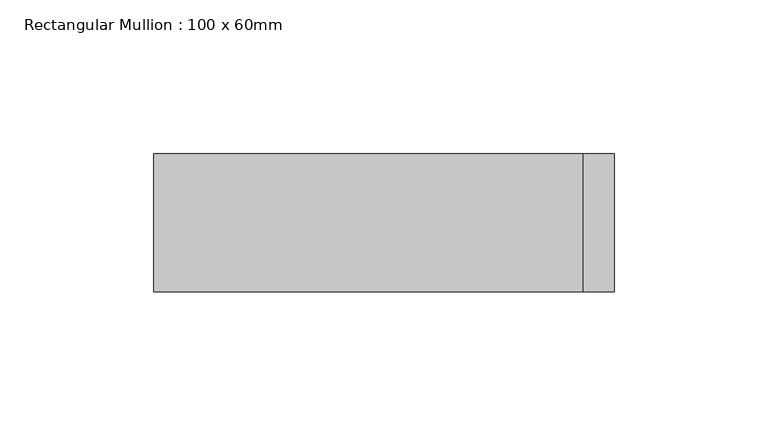
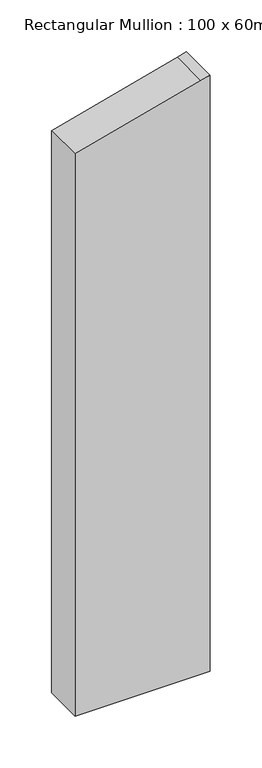
"""IFC4 building model written with IfcOpenShell, lengths in millimetres: member geometry, Rectangular Mullion : 100 x 60mm."""

from ifc_helpers import new_model, si_unit, frame, origin, place, context, project, spatial, polyline, outline, extrude, source, transform, mapped, element, save


def rectangular_mullion_100_x_60mm_64a764ba(model_context):
    return source(origin(), model_context, "Body", "SweptSolid", [
        extrude(outline(polyline([(-238.7228557, 75.0), (-241.4814566, 64.7047613), (-278.9152345, -75.0), (-939.8551429, -75.0), (-939.8551429, 75.0), (-238.7228557, 75.0)])), frame((0.0, -15.0, 0.0), z_axis=(0.0, 1.0, 0.0), x_axis=(0.0, 0.0, 1.0)), (0.0, 0.0, 1.0), 45.0),
    ])


if __name__ == "__main__":
    model = new_model("IFC4")
    model_context = context("Model", 3, world=origin())
    ifc_project = project(units=[si_unit("LENGTHUNIT", "METRE", prefix="MILLI")], contexts=[model_context])
    site = spatial("IfcSite", under=ifc_project)
    building = spatial("IfcBuilding", under=site)
    placement = place(None, origin())
    rectangular_mullion_100_x_60mm_shape = rectangular_mullion_100_x_60mm_64a764ba(model_context)
    element("IfcMember", 1, ObjectType="Rectangular Mullion : 100 x 60mm", at=placement, inside=building, context=model_context, shape_type="MappedRepresentation", body=[
        mapped(rectangular_mullion_100_x_60mm_shape, transform((0.0, 0.0, 0.0), x_axis=(1.0, 0.0, 0.0), y_axis=(0.0, 1.0, 0.0), z_axis=(0.0, 0.0, 1.0))),
    ])
    save(model, "model.ifc")
